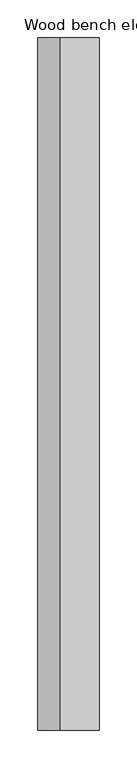
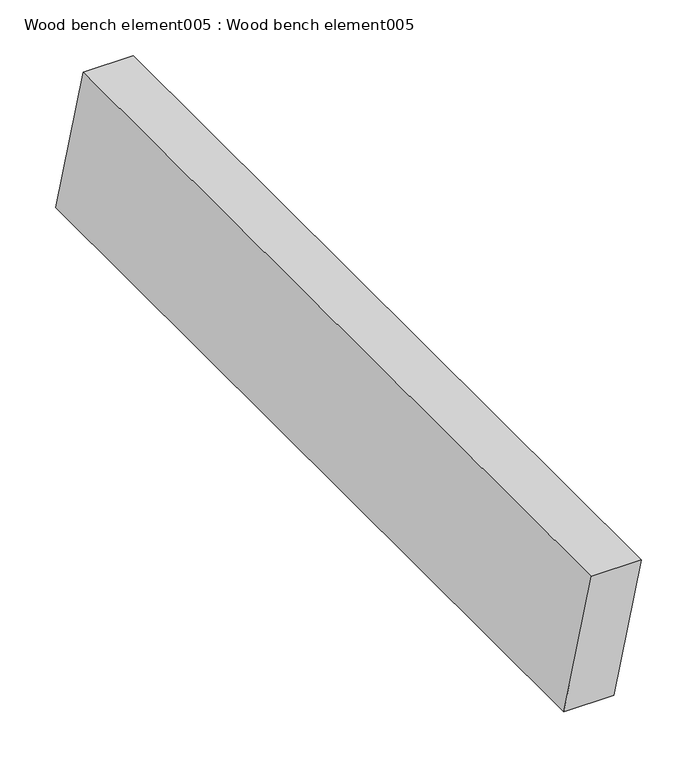
"""IFC4 building model written with IfcOpenShell, lengths in millimetres: proxy geometry, Wood bench element005 : Wood bench element005."""

import ifcopenshell
import ifcopenshell.guid

model = None  # the IFC model being written
_history = None  # IfcOwnerHistory: only IFC2X3 demands one
_inside = {}  # id of a spatial element -> (the spatial element, [elements in it])
_under = {}  # id of a project, library or spatial element -> (it, [spatial elements below it])
_declared = {}  # id of a project -> (the project, [libraries it declares])
_typed = {}  # id of a type object -> (the type object, [elements of that type])
_made_of = {}  # id of a material, layer set ... -> (it, [elements and type objects made of it])


def new_model(schema):
    """Start an empty IFC model of exactly this schema.

    Asked for "IFC4X3", IfcOpenShell would pick the latest addendum, in which some entities
    have other attributes; the version numbers below select the first issue.
    IFC2X3 requires an IfcOwnerHistory on every rooted entity: one is made here for all.
    """
    global model, _history
    if schema == "IFC4X3":
        model = ifcopenshell.file(schema_version=(4, 3, 0, 0))
    else:
        model = ifcopenshell.file(schema=schema)
    _inside.clear()
    _under.clear()
    _declared.clear()
    _typed.clear()
    _made_of.clear()
    _history = None
    if model.schema == "IFC2X3":
        org = make("IfcOrganization", Name="unknown")
        user = make(
            "IfcPersonAndOrganization",
            ThePerson=make("IfcPerson", FamilyName="unknown"),
            TheOrganization=org,
        )
        app = make(
            "IfcApplication",
            ApplicationDeveloper=org,
            Version="unknown",
            ApplicationFullName="unknown",
            ApplicationIdentifier="unknown",
        )
        _history = make(
            "IfcOwnerHistory",
            OwningUser=user,
            OwningApplication=app,
            ChangeAction="ADDED",
            CreationDate=0,
        )
    return model


def make(cls, **values):
    """One entity of the class cls with the attributes given. An attribute that is None is left unset."""
    return model.create_entity(
        cls, **{name: value for name, value in values.items() if value is not None}
    )


def rooted(cls, **values):
    """An entity with a GlobalId (a new one), such as an element, a storey or a relation."""
    return make(cls, GlobalId=ifcopenshell.guid.new(), OwnerHistory=_history, **values)


def si_unit(unit_type, name, prefix=None):
    """IfcSIUnit, for example si_unit("LENGTHUNIT", "METRE", prefix="MILLI")."""
    return make("IfcSIUnit", UnitType=unit_type, Prefix=prefix, Name=name)


def assignment(units):
    """IfcUnitAssignment: the units of a project."""
    return None if units is None else make("IfcUnitAssignment", Units=units)


def point(xyz):
    """IfcCartesianPoint."""
    return None if xyz is None else make("IfcCartesianPoint", Coordinates=xyz)


def direction(xyz):
    """IfcDirection."""
    return None if xyz is None else make("IfcDirection", DirectionRatios=xyz)


def frame(location, z_axis=None, x_axis=None):
    """IfcAxis2Placement3D, a coordinate frame: its origin and axes. An axis left out is left unset."""
    return make(
        "IfcAxis2Placement3D",
        Location=point(location),
        Axis=direction(z_axis),
        RefDirection=direction(x_axis),
    )


def origin():
    """The frame at (0, 0, 0) with its axes left unset."""
    return frame((0.0, 0.0, 0.0))


def place(relative_to, where):
    """IfcLocalPlacement: puts the frame where relative to a parent placement (None: the world)."""
    return make(
        "IfcLocalPlacement", PlacementRelTo=relative_to, RelativePlacement=where
    )


def context(
    kind, dimensions, precision=None, world=None, true_north=None, identifier=None
):
    """IfcGeometricRepresentationContext, for example the 3D "Model" context."""
    return make(
        "IfcGeometricRepresentationContext",
        ContextIdentifier=identifier,
        ContextType=kind,
        CoordinateSpaceDimension=dimensions,
        Precision=precision,
        WorldCoordinateSystem=world,
        TrueNorth=true_north,
    )


def project(units=None, contexts=None):
    """IfcProject with its units and contexts."""
    return rooted(
        "IfcProject",
        Name="project",
        RepresentationContexts=contexts,
        UnitsInContext=assignment(units),
    )


def spatial(cls, under=None, at=None, **own):
    """A site, building, storey or space (cls), placed at a placement, below another one or the project."""
    s = rooted(cls, ObjectPlacement=at, **own)
    if under is not None:
        _under.setdefault(under.id(), (under, []))[1].append(s)
    return s


def polyline(points):
    """IfcPolyline through the points."""
    return make("IfcPolyline", Points=[point(p) for p in points])


def outline(outer, holes=None, kind="AREA"):
    """IfcArbitraryClosedProfileDef: a profile drawn as a closed curve; with holes, ...WithVoids."""
    if holes is None:
        return make("IfcArbitraryClosedProfileDef", ProfileType=kind, OuterCurve=outer)
    return make(
        "IfcArbitraryProfileDefWithVoids",
        ProfileType=kind,
        OuterCurve=outer,
        InnerCurves=holes,
    )


def extrude(swept, where, along, depth):
    """IfcExtrudedAreaSolid: the profile swept, set in the frame where, extruded along a direction by depth."""
    return make(
        "IfcExtrudedAreaSolid",
        SweptArea=swept,
        Position=where,
        ExtrudedDirection=direction(along),
        Depth=depth,
    )


def shape(context_of_items, identifier, shape_type, items):
    """IfcShapeRepresentation: the items that make up one representation, for example the "Body"."""
    return make(
        "IfcShapeRepresentation",
        ContextOfItems=context_of_items,
        RepresentationIdentifier=identifier,
        RepresentationType=shape_type,
        Items=items,
    )


def source(mapping_origin, context_of_items, identifier, shape_type, items):
    """IfcRepresentationMap: a shape defined once, which mapped items show again and again."""
    return make(
        "IfcRepresentationMap",
        MappingOrigin=mapping_origin,
        MappedRepresentation=shape(context_of_items, identifier, shape_type, items),
    )


def transform(
    local_origin,
    x_axis=None,
    y_axis=None,
    z_axis=None,
    scale=None,
    scale2=None,
    scale3=None,
    uniform=True,
):
    """IfcCartesianTransformationOperator3D, or its non-uniform kind. x_axis, y_axis, z_axis: its Axis1, 2, 3."""
    if uniform:
        return make(
            "IfcCartesianTransformationOperator3D",
            Axis1=direction(x_axis),
            Axis2=direction(y_axis),
            LocalOrigin=point(local_origin),
            Scale=scale,
            Axis3=direction(z_axis),
        )
    return make(
        "IfcCartesianTransformationOperator3DnonUniform",
        Axis1=direction(x_axis),
        Axis2=direction(y_axis),
        LocalOrigin=point(local_origin),
        Scale=scale,
        Axis3=direction(z_axis),
        Scale2=scale2,
        Scale3=scale3,
    )


def mapped(mapping_source, mapping_target):
    """IfcMappedItem: shows the shape of a source again, moved by a transform."""
    return make(
        "IfcMappedItem", MappingSource=mapping_source, MappingTarget=mapping_target
    )


def made_of(thing, what):
    """Note that an element or type object is made of a material, layer set ...; save() writes the relation."""
    if what is not None:
        _made_of.setdefault(what.id(), (what, []))[1].append(thing)
    return thing


def element(
    cls,
    number,
    at=None,
    inside=None,
    cuts=None,
    type_object=None,
    material=None,
    context=None,
    identifier="Body",
    shape_type=None,
    held_by="IfcProductDefinitionShape",
    body=None,
    shapes=None,
    **own,
):
    """One element of the class cls, such as IfcWall. Its Tag is "e" and its number.

    at: its placement. inside: the storey or other place that contains it. cuts: it is an
    opening in that element (IfcRelVoidsElement). A single representation is given by context,
    identifier, shape_type and body (its items); several are given by shapes. held_by: the class
    of the entity that holds the representations. save() writes the other relations.
    """
    e = rooted(cls, Tag="e%d" % number, ObjectPlacement=at, **own)
    if body is not None:
        shapes = [shape(context, identifier, shape_type, body)]
    if shapes is not None:
        e.Representation = make(held_by, Representations=shapes)
    if inside is not None:
        _inside.setdefault(inside.id(), (inside, []))[1].append(e)
    if cuts is not None:
        rooted(
            "IfcRelVoidsElement", RelatingBuildingElement=cuts, RelatedOpeningElement=e
        )
    if type_object is not None:
        _typed.setdefault(type_object.id(), (type_object, []))[1].append(e)
    return made_of(e, material)


def aggregate(whole, parts):
    """IfcRelAggregates: a whole, such as a stair, and the parts it consists of."""
    return rooted("IfcRelAggregates", RelatingObject=whole, RelatedObjects=parts)


def save(model, path):
    """Write the relations noted so far, then the file.

    IfcRelAggregates (storeys below a building ...), IfcRelContainedInSpatialStructure (elements
    in a storey), IfcRelDefinesByType, IfcRelAssociatesMaterial and IfcRelDeclares: one each for
    every whole, place, type object, material and project.
    """
    for whole, parts in _under.values():
        aggregate(whole, parts)
    for where, things in _inside.values():
        rooted(
            "IfcRelContainedInSpatialStructure",
            RelatedElements=things,
            RelatingStructure=where,
        )
    for kind, things in _typed.values():
        rooted("IfcRelDefinesByType", RelatedObjects=things, RelatingType=kind)
    for what, things in _made_of.values():
        rooted("IfcRelAssociatesMaterial", RelatedObjects=things, RelatingMaterial=what)
    for by, libraries in _declared.values():
        rooted("IfcRelDeclares", RelatingContext=by, RelatedDefinitions=libraries)
    model.write(path)


def wood_bench_element005_wood_bench_element005_29ce0f6a(model_context):
    return source(origin(), model_context, "Body", "SweptSolid", [
        extrude(outline(polyline([(762.1420166, 38035.8091662), (762.1420166, 37983.918445), (623.3062768, 37954.9943326), (623.3062768, 38006.8850537), (762.1420166, 38035.8091662)])), frame((0.0, -19576.8264268, 0.0), z_axis=(0.0, 1.0, 0.0), x_axis=(0.0, 0.0, 1.0)), (0.0, 0.0, 1.0), 914.4),
    ])


if __name__ == "__main__":
    model = new_model("IFC4")
    model_context = context("Model", 3, world=origin())
    ifc_project = project(units=[si_unit("LENGTHUNIT", "METRE", prefix="MILLI")], contexts=[model_context])
    site = spatial("IfcSite", under=ifc_project)
    building = spatial("IfcBuilding", under=site)
    placement = place(None, origin())
    wood_bench_element005_wood_bench_element005_shape = wood_bench_element005_wood_bench_element005_29ce0f6a(model_context)
    element("IfcBuildingElementProxy", 1, Name="Wood bench element005 : Wood bench element005", ObjectType="Wood bench element005 : Wood bench element005", at=placement, inside=building, context=model_context, shape_type="MappedRepresentation", body=[
        mapped(wood_bench_element005_wood_bench_element005_shape, transform((0.0, 0.0, 0.0), x_axis=(1.0, 0.0, 0.0), y_axis=(0.0, 1.0, 0.0), z_axis=(0.0, 0.0, 1.0))),
    ])
    save(model, "model.ifc")
